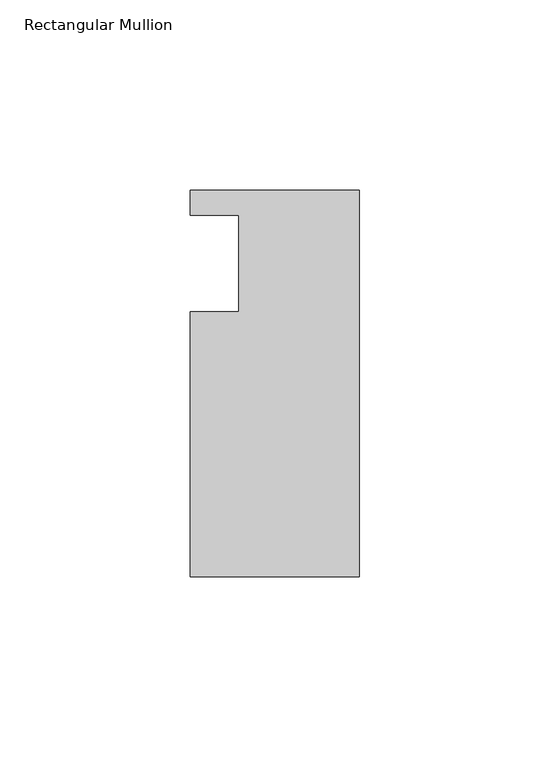
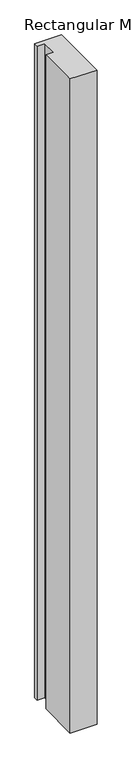
"""IFC4 building model written with IfcOpenShell, lengths in millimetres: member geometry, Rectangular Mullion."""

from ifc_helpers import new_model, si_unit, frame, origin, place, context, project, spatial, polyline, outline, extrude, source, transform, mapped, element, save


def rectangular_mullion_6d33a61e(model_context):
    return source(origin(), model_context, "Body", "SweptSolid", [
        extrude(outline(polyline([(-44.45, -72.8220862), (-44.45, -3.175), (-31.7482296, -3.175), (-31.7482296, 22.225), (-44.45, 22.225), (-44.45, 28.7779138), (0.0, 28.7779138), (0.0, -72.8220862), (-44.45, -72.8220862)])), frame((0.0, 0.0, -1145.7469027), z_axis=(0.0, 0.0, 1.0), x_axis=(1.0, 0.0, 0.0)), (0.0, 0.0, 1.0), 1145.7469027),
    ])


if __name__ == "__main__":
    model = new_model("IFC4")
    model_context = context("Model", 3, world=origin())
    ifc_project = project(units=[si_unit("LENGTHUNIT", "METRE", prefix="MILLI")], contexts=[model_context])
    site = spatial("IfcSite", under=ifc_project)
    building = spatial("IfcBuilding", under=site)
    placement = place(None, origin())
    rectangular_mullion_shape = rectangular_mullion_6d33a61e(model_context)
    element("IfcMember", 1, ObjectType="Rectangular Mullion", at=placement, inside=building, context=model_context, shape_type="MappedRepresentation", body=[
        mapped(rectangular_mullion_shape, transform((0.0, 0.0, 0.0), x_axis=(1.0, 0.0, 0.0), y_axis=(0.0, 1.0, 0.0), z_axis=(0.0, 0.0, 1.0))),
    ])
    save(model, "model.ifc")
